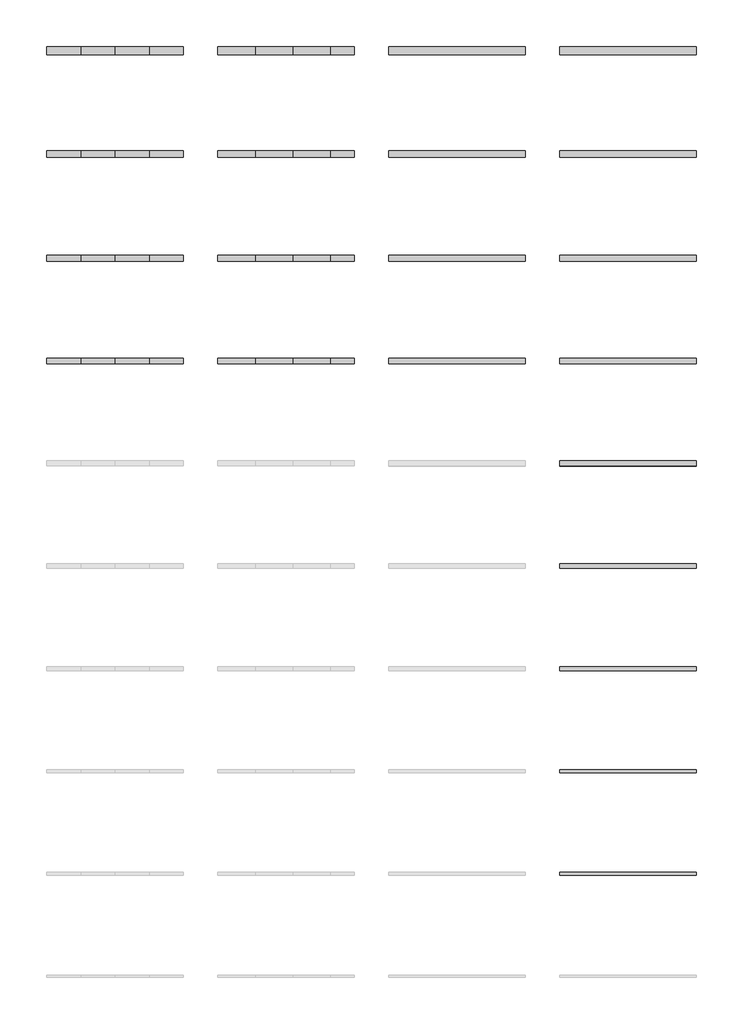
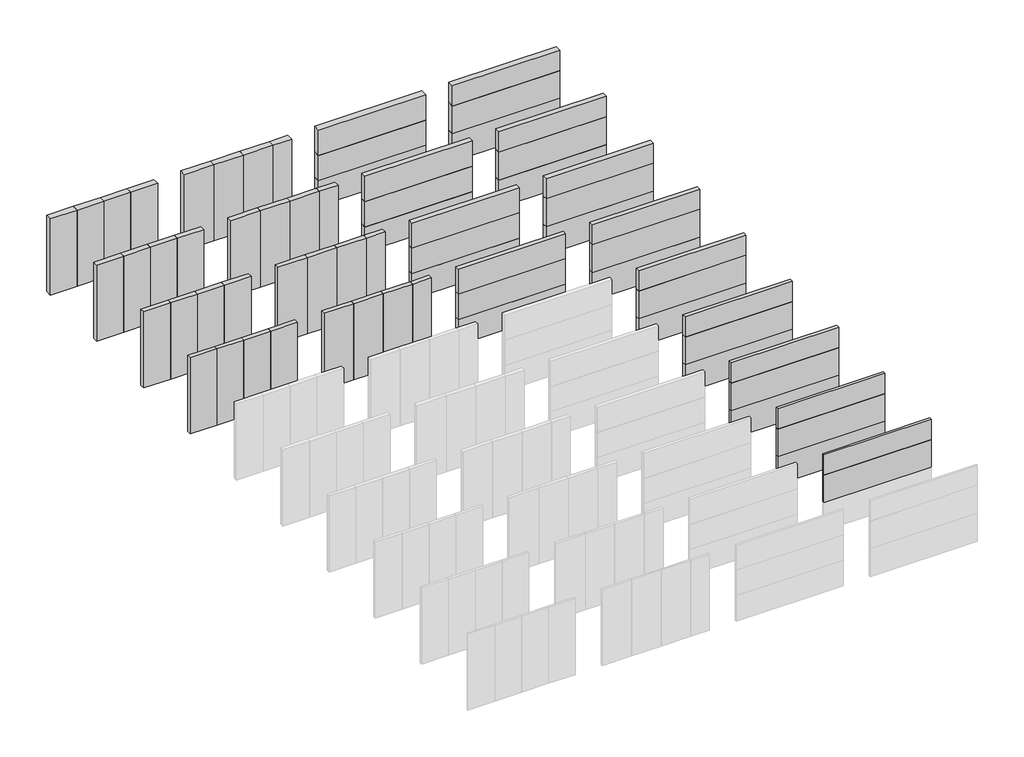
# Not in any storey, part 2 of 2: 70 plates.
"""IFC4 building model written with IfcOpenShell, lengths in millimetres."""

import ifcopenshell
import ifcopenshell.guid

model = None  # the IFC model being written
_history = None  # IfcOwnerHistory: only IFC2X3 demands one
_inside = {}  # id of a spatial element -> (the spatial element, [elements in it])
_under = {}  # id of a project, library or spatial element -> (it, [spatial elements below it])
_declared = {}  # id of a project -> (the project, [libraries it declares])
_typed = {}  # id of a type object -> (the type object, [elements of that type])
_made_of = {}  # id of a material, layer set ... -> (it, [elements and type objects made of it])


def new_model(schema):
    """Start an empty IFC model of exactly this schema.

    Asked for "IFC4X3", IfcOpenShell would pick the latest addendum, in which some entities
    have other attributes; the version numbers below select the first issue.
    IFC2X3 requires an IfcOwnerHistory on every rooted entity: one is made here for all.
    """
    global model, _history
    if schema == "IFC4X3":
        model = ifcopenshell.file(schema_version=(4, 3, 0, 0))
    else:
        model = ifcopenshell.file(schema=schema)
    _inside.clear()
    _under.clear()
    _declared.clear()
    _typed.clear()
    _made_of.clear()
    _history = None
    if model.schema == "IFC2X3":
        org = make("IfcOrganization", Name="unknown")
        user = make(
            "IfcPersonAndOrganization",
            ThePerson=make("IfcPerson", FamilyName="unknown"),
            TheOrganization=org,
        )
        app = make(
            "IfcApplication",
            ApplicationDeveloper=org,
            Version="unknown",
            ApplicationFullName="unknown",
            ApplicationIdentifier="unknown",
        )
        _history = make(
            "IfcOwnerHistory",
            OwningUser=user,
            OwningApplication=app,
            ChangeAction="ADDED",
            CreationDate=0,
        )
    return model


def make(cls, **values):
    """One entity of the class cls with the attributes given. An attribute that is None is left unset."""
    return model.create_entity(
        cls, **{name: value for name, value in values.items() if value is not None}
    )


def rooted(cls, **values):
    """An entity with a GlobalId (a new one), such as an element, a storey or a relation."""
    return make(cls, GlobalId=ifcopenshell.guid.new(), OwnerHistory=_history, **values)


def si_unit(unit_type, name, prefix=None):
    """IfcSIUnit, for example si_unit("LENGTHUNIT", "METRE", prefix="MILLI")."""
    return make("IfcSIUnit", UnitType=unit_type, Prefix=prefix, Name=name)


def assignment(units):
    """IfcUnitAssignment: the units of a project."""
    return None if units is None else make("IfcUnitAssignment", Units=units)


def point(xyz):
    """IfcCartesianPoint."""
    return None if xyz is None else make("IfcCartesianPoint", Coordinates=xyz)


def direction(xyz):
    """IfcDirection."""
    return None if xyz is None else make("IfcDirection", DirectionRatios=xyz)


def frame(location, z_axis=None, x_axis=None):
    """IfcAxis2Placement3D, a coordinate frame: its origin and axes. An axis left out is left unset."""
    return make(
        "IfcAxis2Placement3D",
        Location=point(location),
        Axis=direction(z_axis),
        RefDirection=direction(x_axis),
    )


def origin():
    """The frame at (0, 0, 0) with its axes left unset."""
    return frame((0.0, 0.0, 0.0))


def origin_with_axes():
    """The frame at (0, 0, 0) with the z axis (0, 0, 1) and the x axis (1, 0, 0) written out."""
    return frame((0.0, 0.0, 0.0), z_axis=(0.0, 0.0, 1.0), x_axis=(1.0, 0.0, 0.0))


def place(relative_to, where):
    """IfcLocalPlacement: puts the frame where relative to a parent placement (None: the world)."""
    return make(
        "IfcLocalPlacement", PlacementRelTo=relative_to, RelativePlacement=where
    )


def context(
    kind, dimensions, precision=None, world=None, true_north=None, identifier=None
):
    """IfcGeometricRepresentationContext, for example the 3D "Model" context."""
    return make(
        "IfcGeometricRepresentationContext",
        ContextIdentifier=identifier,
        ContextType=kind,
        CoordinateSpaceDimension=dimensions,
        Precision=precision,
        WorldCoordinateSystem=world,
        TrueNorth=true_north,
    )


def project(units=None, contexts=None):
    """IfcProject with its units and contexts."""
    return rooted(
        "IfcProject",
        Name="project",
        RepresentationContexts=contexts,
        UnitsInContext=assignment(units),
    )


def spatial(cls, under=None, at=None, **own):
    """A site, building, storey or space (cls), placed at a placement, below another one or the project."""
    s = rooted(cls, ObjectPlacement=at, **own)
    if under is not None:
        _under.setdefault(under.id(), (under, []))[1].append(s)
    return s


def polyline(points):
    """IfcPolyline through the points."""
    return make("IfcPolyline", Points=[point(p) for p in points])


def outline(outer, holes=None, kind="AREA"):
    """IfcArbitraryClosedProfileDef: a profile drawn as a closed curve; with holes, ...WithVoids."""
    if holes is None:
        return make("IfcArbitraryClosedProfileDef", ProfileType=kind, OuterCurve=outer)
    return make(
        "IfcArbitraryProfileDefWithVoids",
        ProfileType=kind,
        OuterCurve=outer,
        InnerCurves=holes,
    )


def extrude(swept, where, along, depth):
    """IfcExtrudedAreaSolid: the profile swept, set in the frame where, extruded along a direction by depth."""
    return make(
        "IfcExtrudedAreaSolid",
        SweptArea=swept,
        Position=where,
        ExtrudedDirection=direction(along),
        Depth=depth,
    )


def shape(context_of_items, identifier, shape_type, items):
    """IfcShapeRepresentation: the items that make up one representation, for example the "Body"."""
    return make(
        "IfcShapeRepresentation",
        ContextOfItems=context_of_items,
        RepresentationIdentifier=identifier,
        RepresentationType=shape_type,
        Items=items,
    )


def made_of(thing, what):
    """Note that an element or type object is made of a material, layer set ...; save() writes the relation."""
    if what is not None:
        _made_of.setdefault(what.id(), (what, []))[1].append(thing)
    return thing


def element(
    cls,
    number,
    at=None,
    inside=None,
    cuts=None,
    type_object=None,
    material=None,
    context=None,
    identifier="Body",
    shape_type=None,
    held_by="IfcProductDefinitionShape",
    body=None,
    shapes=None,
    **own,
):
    """One element of the class cls, such as IfcWall. Its Tag is "e" and its number.

    at: its placement. inside: the storey or other place that contains it. cuts: it is an
    opening in that element (IfcRelVoidsElement). A single representation is given by context,
    identifier, shape_type and body (its items); several are given by shapes. held_by: the class
    of the entity that holds the representations. save() writes the other relations.
    """
    e = rooted(cls, Tag="e%d" % number, ObjectPlacement=at, **own)
    if body is not None:
        shapes = [shape(context, identifier, shape_type, body)]
    if shapes is not None:
        e.Representation = make(held_by, Representations=shapes)
    if inside is not None:
        _inside.setdefault(inside.id(), (inside, []))[1].append(e)
    if cuts is not None:
        rooted(
            "IfcRelVoidsElement", RelatingBuildingElement=cuts, RelatedOpeningElement=e
        )
    if type_object is not None:
        _typed.setdefault(type_object.id(), (type_object, []))[1].append(e)
    return made_of(e, material)


def aggregate(whole, parts):
    """IfcRelAggregates: a whole, such as a stair, and the parts it consists of."""
    return rooted("IfcRelAggregates", RelatingObject=whole, RelatedObjects=parts)


def save(model, path):
    """Write the relations noted so far, then the file.

    IfcRelAggregates (storeys below a building ...), IfcRelContainedInSpatialStructure (elements
    in a storey), IfcRelDefinesByType, IfcRelAssociatesMaterial and IfcRelDeclares: one each for
    every whole, place, type object, material and project.
    """
    for whole, parts in _under.values():
        aggregate(whole, parts)
    for where, things in _inside.values():
        rooted(
            "IfcRelContainedInSpatialStructure",
            RelatedElements=things,
            RelatingStructure=where,
        )
    for kind, things in _typed.values():
        rooted("IfcRelDefinesByType", RelatedObjects=things, RelatingType=kind)
    for what, things in _made_of.values():
        rooted("IfcRelAssociatesMaterial", RelatedObjects=things, RelatingMaterial=what)
    for by, libraries in _declared.values():
        rooted("IfcRelDeclares", RelatingContext=by, RelatedDefinitions=libraries)
    model.write(path)


model = new_model("IFC4")

# Units and contexts
model_context = context("Model", 3, world=origin())
ifc_project = project(units=[si_unit("LENGTHUNIT", "METRE", prefix="MILLI")], contexts=[model_context])

# Site, building
site = spatial("IfcSite", under=ifc_project)
building = spatial("IfcBuilding", under=site)

# Plates
placement = place(None, origin())
element("IfcPlate", 1, at=placement, inside=building, context=model_context, shape_type="SweptSolid", body=[
    extrude(outline(polyline([(19000.0, 6000.0), (15000.0, 6000.0), (15000.0, 6100.0), (19000.0, 6100.0), (19000.0, 6000.0)])), origin_with_axes(), (0.0, 0.0, 1.0), 1100.0),
])
element("IfcPlate", 2, at=placement, inside=building, context=model_context, shape_type="SweptSolid", body=[
    extrude(outline(polyline([(19000.0, 6000.0), (15000.0, 6000.0), (15000.0, 6100.0), (19000.0, 6100.0), (19000.0, 6000.0)])), frame((0.0, 0.0, 1100.0), z_axis=(0.0, 0.0, 1.0), x_axis=(1.0, 0.0, 0.0)), (0.0, 0.0, 1.0), 1100.0),
])
element("IfcPlate", 3, at=placement, inside=building, context=model_context, shape_type="SweptSolid", body=[
    extrude(outline(polyline([(19000.0, 6000.0), (15000.0, 6000.0), (15000.0, 6100.0), (19000.0, 6100.0), (19000.0, 6000.0)])), frame((0.0, 0.0, 2200.0), z_axis=(0.0, 0.0, 1.0), x_axis=(1.0, 0.0, 0.0)), (0.0, 0.0, 1.0), 800.0),
])
element("IfcPlate", 4, at=placement, inside=building, context=model_context, shape_type="SweptSolid", body=[
    extrude(outline(polyline([(19000.0, 3010.0), (15000.0, 3010.0), (15000.0, 3090.0), (19000.0, 3090.0), (19000.0, 3010.0)])), frame((0.0, 0.0, 1100.0), z_axis=(0.0, 0.0, 1.0), x_axis=(1.0, 0.0, 0.0)), (0.0, 0.0, 1.0), 1100.0),
])
element("IfcPlate", 5, at=placement, inside=building, context=model_context, shape_type="SweptSolid", body=[
    extrude(outline(polyline([(19000.0, 3010.0), (15000.0, 3010.0), (15000.0, 3090.0), (19000.0, 3090.0), (19000.0, 3010.0)])), frame((0.0, 0.0, 2200.0), z_axis=(0.0, 0.0, 1.0), x_axis=(1.0, 0.0, 0.0)), (0.0, 0.0, 1.0), 800.0),
])
element("IfcPlate", 6, at=placement, inside=building, context=model_context, shape_type="SweptSolid", body=[
    extrude(outline(polyline([(19000.0, 8990.0), (15000.0, 8990.0), (15000.0, 9110.0), (19000.0, 9110.0), (19000.0, 8990.0)])), origin_with_axes(), (0.0, 0.0, 1.0), 1100.0),
])
element("IfcPlate", 7, at=placement, inside=building, context=model_context, shape_type="SweptSolid", body=[
    extrude(outline(polyline([(19000.0, 8990.0), (15000.0, 8990.0), (15000.0, 9110.0), (19000.0, 9110.0), (19000.0, 8990.0)])), frame((0.0, 0.0, 1100.0), z_axis=(0.0, 0.0, 1.0), x_axis=(1.0, 0.0, 0.0)), (0.0, 0.0, 1.0), 1100.0),
])
element("IfcPlate", 8, at=placement, inside=building, context=model_context, shape_type="SweptSolid", body=[
    extrude(outline(polyline([(19000.0, 8990.0), (15000.0, 8990.0), (15000.0, 9110.0), (19000.0, 9110.0), (19000.0, 8990.0)])), frame((0.0, 0.0, 2200.0), z_axis=(0.0, 0.0, 1.0), x_axis=(1.0, 0.0, 0.0)), (0.0, 0.0, 1.0), 800.0),
])
element("IfcPlate", 9, at=placement, inside=building, context=model_context, shape_type="SweptSolid", body=[
    extrude(outline(polyline([(19000.0, 11980.0), (15000.0, 11980.0), (15000.0, 12120.0), (19000.0, 12120.0), (19000.0, 11980.0)])), origin_with_axes(), (0.0, 0.0, 1.0), 1100.0),
])
element("IfcPlate", 10, at=placement, inside=building, context=model_context, shape_type="SweptSolid", body=[
    extrude(outline(polyline([(19000.0, 11980.0), (15000.0, 11980.0), (15000.0, 12120.0), (19000.0, 12120.0), (19000.0, 11980.0)])), frame((0.0, 0.0, 1100.0), z_axis=(0.0, 0.0, 1.0), x_axis=(1.0, 0.0, 0.0)), (0.0, 0.0, 1.0), 1100.0),
])
element("IfcPlate", 11, at=placement, inside=building, context=model_context, shape_type="SweptSolid", body=[
    extrude(outline(polyline([(19000.0, 11980.0), (15000.0, 11980.0), (15000.0, 12120.0), (19000.0, 12120.0), (19000.0, 11980.0)])), frame((0.0, 0.0, 2200.0), z_axis=(0.0, 0.0, 1.0), x_axis=(1.0, 0.0, 0.0)), (0.0, 0.0, 1.0), 800.0),
])
element("IfcPlate", 12, at=placement, inside=building, context=model_context, shape_type="SweptSolid", body=[
    extrude(outline(polyline([(19000.0, 14975.0), (15000.0, 14975.0), (15000.0, 15125.0), (19000.0, 15125.0), (19000.0, 14975.0)])), origin_with_axes(), (0.0, 0.0, 1.0), 1100.0),
])
element("IfcPlate", 13, at=placement, inside=building, context=model_context, shape_type="SweptSolid", body=[
    extrude(outline(polyline([(19000.0, 14975.0), (15000.0, 14975.0), (15000.0, 15125.0), (19000.0, 15125.0), (19000.0, 14975.0)])), frame((0.0, 0.0, 1100.0), z_axis=(0.0, 0.0, 1.0), x_axis=(1.0, 0.0, 0.0)), (0.0, 0.0, 1.0), 1100.0),
])
element("IfcPlate", 14, at=placement, inside=building, context=model_context, shape_type="SweptSolid", body=[
    extrude(outline(polyline([(19000.0, 14975.0), (15000.0, 14975.0), (15000.0, 15125.0), (19000.0, 15125.0), (19000.0, 14975.0)])), frame((0.0, 0.0, 2200.0), z_axis=(0.0, 0.0, 1.0), x_axis=(1.0, 0.0, 0.0)), (0.0, 0.0, 1.0), 800.0),
])
element("IfcPlate", 15, at=placement, inside=building, context=model_context, shape_type="SweptSolid", body=[
    extrude(outline(polyline([(1000.0000003, 17970.0), (0.0, 17970.0), (0.0, 18130.0), (1000.0000003, 18130.0), (1000.0000003, 17970.0)])), origin_with_axes(), (0.0, 0.0, 1.0), 3000.0),
])
element("IfcPlate", 16, at=placement, inside=building, context=model_context, shape_type="SweptSolid", body=[
    extrude(outline(polyline([(2000.0000003, 17970.0), (1000.0000003, 17970.0), (1000.0000003, 18130.0), (2000.0000003, 18130.0), (2000.0000003, 17970.0)])), origin_with_axes(), (0.0, 0.0, 1.0), 3000.0),
])
element("IfcPlate", 17, at=placement, inside=building, context=model_context, shape_type="SweptSolid", body=[
    extrude(outline(polyline([(3000.0000003, 17970.0), (2000.0000003, 17970.0), (2000.0000003, 18130.0), (3000.0000003, 18130.0), (3000.0000003, 17970.0)])), origin_with_axes(), (0.0, 0.0, 1.0), 3000.0),
])
element("IfcPlate", 18, at=placement, inside=building, context=model_context, shape_type="SweptSolid", body=[
    extrude(outline(polyline([(4000.0, 17970.0), (3000.0000003, 17970.0), (3000.0000003, 18130.0), (4000.0, 18130.0), (4000.0, 17970.0)])), origin_with_axes(), (0.0, 0.0, 1.0), 3000.0),
])
element("IfcPlate", 19, at=placement, inside=building, context=model_context, shape_type="SweptSolid", body=[
    extrude(outline(polyline([(6100.0000003, 17970.0), (5000.0, 17970.0), (5000.0, 18130.0), (6100.0000003, 18130.0), (6100.0000003, 17970.0)])), origin_with_axes(), (0.0, 0.0, 1.0), 3000.0),
])
element("IfcPlate", 20, at=placement, inside=building, context=model_context, shape_type="SweptSolid", body=[
    extrude(outline(polyline([(7200.0000003, 17970.0), (6100.0000003, 17970.0), (6100.0000003, 18130.0), (7200.0000003, 18130.0), (7200.0000003, 17970.0)])), origin_with_axes(), (0.0, 0.0, 1.0), 3000.0),
])
element("IfcPlate", 21, at=placement, inside=building, context=model_context, shape_type="SweptSolid", body=[
    extrude(outline(polyline([(8300.0000003, 17970.0), (7200.0000003, 17970.0), (7200.0000003, 18130.0), (8300.0000003, 18130.0), (8300.0000003, 17970.0)])), origin_with_axes(), (0.0, 0.0, 1.0), 3000.0),
])
element("IfcPlate", 22, at=placement, inside=building, context=model_context, shape_type="SweptSolid", body=[
    extrude(outline(polyline([(9000.0, 17970.0), (8300.0000003, 17970.0), (8300.0000003, 18130.0), (9000.0, 18130.0), (9000.0, 17970.0)])), origin_with_axes(), (0.0, 0.0, 1.0), 3000.0),
])
element("IfcPlate", 23, at=placement, inside=building, context=model_context, shape_type="SweptSolid", body=[
    extrude(outline(polyline([(14000.0, 17970.0), (10000.0, 17970.0), (10000.0, 18130.0), (14000.0, 18130.0), (14000.0, 17970.0)])), origin_with_axes(), (0.0, 0.0, 1.0), 1000.0),
])
element("IfcPlate", 24, at=placement, inside=building, context=model_context, shape_type="SweptSolid", body=[
    extrude(outline(polyline([(14000.0, 17970.0), (10000.0, 17970.0), (10000.0, 18130.0), (14000.0, 18130.0), (14000.0, 17970.0)])), frame((0.0, 0.0, 1000.0), z_axis=(0.0, 0.0, 1.0), x_axis=(1.0, 0.0, 0.0)), (0.0, 0.0, 1.0), 1000.0),
])
element("IfcPlate", 25, at=placement, inside=building, context=model_context, shape_type="SweptSolid", body=[
    extrude(outline(polyline([(14000.0, 17970.0), (10000.0, 17970.0), (10000.0, 18130.0), (14000.0, 18130.0), (14000.0, 17970.0)])), frame((0.0, 0.0, 2000.0), z_axis=(0.0, 0.0, 1.0), x_axis=(1.0, 0.0, 0.0)), (0.0, 0.0, 1.0), 1000.0),
])
element("IfcPlate", 26, at=placement, inside=building, context=model_context, shape_type="SweptSolid", body=[
    extrude(outline(polyline([(19000.0, 17970.0), (15000.0, 17970.0), (15000.0, 18130.0), (19000.0, 18130.0), (19000.0, 17970.0)])), origin_with_axes(), (0.0, 0.0, 1.0), 1100.0),
])
element("IfcPlate", 27, at=placement, inside=building, context=model_context, shape_type="SweptSolid", body=[
    extrude(outline(polyline([(19000.0, 17970.0), (15000.0, 17970.0), (15000.0, 18130.0), (19000.0, 18130.0), (19000.0, 17970.0)])), frame((0.0, 0.0, 1100.0), z_axis=(0.0, 0.0, 1.0), x_axis=(1.0, 0.0, 0.0)), (0.0, 0.0, 1.0), 1100.0),
])
element("IfcPlate", 28, at=placement, inside=building, context=model_context, shape_type="SweptSolid", body=[
    extrude(outline(polyline([(19000.0, 17970.0), (15000.0, 17970.0), (15000.0, 18130.0), (19000.0, 18130.0), (19000.0, 17970.0)])), frame((0.0, 0.0, 2200.0), z_axis=(0.0, 0.0, 1.0), x_axis=(1.0, 0.0, 0.0)), (0.0, 0.0, 1.0), 800.0),
])
element("IfcPlate", 29, at=placement, inside=building, context=model_context, shape_type="SweptSolid", body=[
    extrude(outline(polyline([(1000.0000003, 20960.0), (0.0, 20960.0), (0.0, 21140.0), (1000.0000003, 21140.0), (1000.0000003, 20960.0)])), origin_with_axes(), (0.0, 0.0, 1.0), 3000.0),
])
element("IfcPlate", 30, at=placement, inside=building, context=model_context, shape_type="SweptSolid", body=[
    extrude(outline(polyline([(2000.0000003, 20960.0), (1000.0000003, 20960.0), (1000.0000003, 21140.0), (2000.0000003, 21140.0), (2000.0000003, 20960.0)])), origin_with_axes(), (0.0, 0.0, 1.0), 3000.0),
])
element("IfcPlate", 31, at=placement, inside=building, context=model_context, shape_type="SweptSolid", body=[
    extrude(outline(polyline([(3000.0000003, 20960.0), (2000.0000003, 20960.0), (2000.0000003, 21140.0), (3000.0000003, 21140.0), (3000.0000003, 20960.0)])), origin_with_axes(), (0.0, 0.0, 1.0), 3000.0),
])
element("IfcPlate", 32, at=placement, inside=building, context=model_context, shape_type="SweptSolid", body=[
    extrude(outline(polyline([(4000.0, 20960.0), (3000.0000003, 20960.0), (3000.0000003, 21140.0), (4000.0, 21140.0), (4000.0, 20960.0)])), origin_with_axes(), (0.0, 0.0, 1.0), 3000.0),
])
element("IfcPlate", 33, at=placement, inside=building, context=model_context, shape_type="SweptSolid", body=[
    extrude(outline(polyline([(6100.0000003, 20960.0), (5000.0, 20960.0), (5000.0, 21140.0), (6100.0000003, 21140.0), (6100.0000003, 20960.0)])), origin_with_axes(), (0.0, 0.0, 1.0), 3000.0),
])
element("IfcPlate", 34, at=placement, inside=building, context=model_context, shape_type="SweptSolid", body=[
    extrude(outline(polyline([(7200.0000003, 20960.0), (6100.0000003, 20960.0), (6100.0000003, 21140.0), (7200.0000003, 21140.0), (7200.0000003, 20960.0)])), origin_with_axes(), (0.0, 0.0, 1.0), 3000.0),
])
element("IfcPlate", 35, at=placement, inside=building, context=model_context, shape_type="SweptSolid", body=[
    extrude(outline(polyline([(8300.0000003, 20960.0), (7200.0000003, 20960.0), (7200.0000003, 21140.0), (8300.0000003, 21140.0), (8300.0000003, 20960.0)])), origin_with_axes(), (0.0, 0.0, 1.0), 3000.0),
])
element("IfcPlate", 36, at=placement, inside=building, context=model_context, shape_type="SweptSolid", body=[
    extrude(outline(polyline([(9000.0, 20960.0), (8300.0000003, 20960.0), (8300.0000003, 21140.0), (9000.0, 21140.0), (9000.0, 20960.0)])), origin_with_axes(), (0.0, 0.0, 1.0), 3000.0),
])
element("IfcPlate", 37, at=placement, inside=building, context=model_context, shape_type="SweptSolid", body=[
    extrude(outline(polyline([(14000.0, 20960.0), (10000.0, 20960.0), (10000.0, 21140.0), (14000.0, 21140.0), (14000.0, 20960.0)])), origin_with_axes(), (0.0, 0.0, 1.0), 1000.0),
])
element("IfcPlate", 38, at=placement, inside=building, context=model_context, shape_type="SweptSolid", body=[
    extrude(outline(polyline([(14000.0, 20960.0), (10000.0, 20960.0), (10000.0, 21140.0), (14000.0, 21140.0), (14000.0, 20960.0)])), frame((0.0, 0.0, 1000.0), z_axis=(0.0, 0.0, 1.0), x_axis=(1.0, 0.0, 0.0)), (0.0, 0.0, 1.0), 1000.0),
])
element("IfcPlate", 39, at=placement, inside=building, context=model_context, shape_type="SweptSolid", body=[
    extrude(outline(polyline([(14000.0, 20960.0), (10000.0, 20960.0), (10000.0, 21140.0), (14000.0, 21140.0), (14000.0, 20960.0)])), frame((0.0, 0.0, 2000.0), z_axis=(0.0, 0.0, 1.0), x_axis=(1.0, 0.0, 0.0)), (0.0, 0.0, 1.0), 1000.0),
])
element("IfcPlate", 40, at=placement, inside=building, context=model_context, shape_type="SweptSolid", body=[
    extrude(outline(polyline([(19000.0, 20960.0), (15000.0, 20960.0), (15000.0, 21140.0), (19000.0, 21140.0), (19000.0, 20960.0)])), origin_with_axes(), (0.0, 0.0, 1.0), 1100.0),
])
element("IfcPlate", 41, at=placement, inside=building, context=model_context, shape_type="SweptSolid", body=[
    extrude(outline(polyline([(19000.0, 20960.0), (15000.0, 20960.0), (15000.0, 21140.0), (19000.0, 21140.0), (19000.0, 20960.0)])), frame((0.0, 0.0, 1100.0), z_axis=(0.0, 0.0, 1.0), x_axis=(1.0, 0.0, 0.0)), (0.0, 0.0, 1.0), 1100.0),
])
element("IfcPlate", 42, at=placement, inside=building, context=model_context, shape_type="SweptSolid", body=[
    extrude(outline(polyline([(19000.0, 20960.0), (15000.0, 20960.0), (15000.0, 21140.0), (19000.0, 21140.0), (19000.0, 20960.0)])), frame((0.0, 0.0, 2200.0), z_axis=(0.0, 0.0, 1.0), x_axis=(1.0, 0.0, 0.0)), (0.0, 0.0, 1.0), 800.0),
])
element("IfcPlate", 43, at=placement, inside=building, context=model_context, shape_type="SweptSolid", body=[
    extrude(outline(polyline([(1000.0000003, 24000.0), (0.0, 24000.0), (0.0, 24200.0), (1000.0000003, 24200.0), (1000.0000003, 24000.0)])), origin_with_axes(), (0.0, 0.0, 1.0), 3000.0),
])
element("IfcPlate", 44, at=placement, inside=building, context=model_context, shape_type="SweptSolid", body=[
    extrude(outline(polyline([(2000.0000003, 24000.0), (1000.0000003, 24000.0), (1000.0000003, 24200.0), (2000.0000003, 24200.0), (2000.0000003, 24000.0)])), origin_with_axes(), (0.0, 0.0, 1.0), 3000.0),
])
element("IfcPlate", 45, at=placement, inside=building, context=model_context, shape_type="SweptSolid", body=[
    extrude(outline(polyline([(3000.0000003, 24000.0), (2000.0000003, 24000.0), (2000.0000003, 24200.0), (3000.0000003, 24200.0), (3000.0000003, 24000.0)])), origin_with_axes(), (0.0, 0.0, 1.0), 3000.0),
])
element("IfcPlate", 46, at=placement, inside=building, context=model_context, shape_type="SweptSolid", body=[
    extrude(outline(polyline([(4000.0, 24000.0), (3000.0000003, 24000.0), (3000.0000003, 24200.0), (4000.0, 24200.0), (4000.0, 24000.0)])), origin_with_axes(), (0.0, 0.0, 1.0), 3000.0),
])
element("IfcPlate", 47, at=placement, inside=building, context=model_context, shape_type="SweptSolid", body=[
    extrude(outline(polyline([(6100.0000003, 24000.0), (5000.0, 24000.0), (5000.0, 24200.0), (6100.0000003, 24200.0), (6100.0000003, 24000.0)])), origin_with_axes(), (0.0, 0.0, 1.0), 3000.0),
])
element("IfcPlate", 48, at=placement, inside=building, context=model_context, shape_type="SweptSolid", body=[
    extrude(outline(polyline([(7200.0000003, 24000.0), (6100.0000003, 24000.0), (6100.0000003, 24200.0), (7200.0000003, 24200.0), (7200.0000003, 24000.0)])), origin_with_axes(), (0.0, 0.0, 1.0), 3000.0),
])
element("IfcPlate", 49, at=placement, inside=building, context=model_context, shape_type="SweptSolid", body=[
    extrude(outline(polyline([(8300.0000003, 24000.0), (7200.0000003, 24000.0), (7200.0000003, 24200.0), (8300.0000003, 24200.0), (8300.0000003, 24000.0)])), origin_with_axes(), (0.0, 0.0, 1.0), 3000.0),
])
element("IfcPlate", 50, at=placement, inside=building, context=model_context, shape_type="SweptSolid", body=[
    extrude(outline(polyline([(9000.0, 24000.0), (8300.0000003, 24000.0), (8300.0000003, 24200.0), (9000.0, 24200.0), (9000.0, 24000.0)])), origin_with_axes(), (0.0, 0.0, 1.0), 3000.0),
])
element("IfcPlate", 51, at=placement, inside=building, context=model_context, shape_type="SweptSolid", body=[
    extrude(outline(polyline([(14000.0, 24000.0), (10000.0, 24000.0), (10000.0, 24200.0), (14000.0, 24200.0), (14000.0, 24000.0)])), origin_with_axes(), (0.0, 0.0, 1.0), 1000.0),
])
element("IfcPlate", 52, at=placement, inside=building, context=model_context, shape_type="SweptSolid", body=[
    extrude(outline(polyline([(14000.0, 24000.0), (10000.0, 24000.0), (10000.0, 24200.0), (14000.0, 24200.0), (14000.0, 24000.0)])), frame((0.0, 0.0, 1000.0), z_axis=(0.0, 0.0, 1.0), x_axis=(1.0, 0.0, 0.0)), (0.0, 0.0, 1.0), 1000.0),
])
element("IfcPlate", 53, at=placement, inside=building, context=model_context, shape_type="SweptSolid", body=[
    extrude(outline(polyline([(14000.0, 24000.0), (10000.0, 24000.0), (10000.0, 24200.0), (14000.0, 24200.0), (14000.0, 24000.0)])), frame((0.0, 0.0, 2000.0), z_axis=(0.0, 0.0, 1.0), x_axis=(1.0, 0.0, 0.0)), (0.0, 0.0, 1.0), 1000.0),
])
element("IfcPlate", 54, at=placement, inside=building, context=model_context, shape_type="SweptSolid", body=[
    extrude(outline(polyline([(19000.0, 24000.0), (15000.0, 24000.0), (15000.0, 24200.0), (19000.0, 24200.0), (19000.0, 24000.0)])), origin_with_axes(), (0.0, 0.0, 1.0), 1100.0),
])
element("IfcPlate", 55, at=placement, inside=building, context=model_context, shape_type="SweptSolid", body=[
    extrude(outline(polyline([(19000.0, 24000.0), (15000.0, 24000.0), (15000.0, 24200.0), (19000.0, 24200.0), (19000.0, 24000.0)])), frame((0.0, 0.0, 1100.0), z_axis=(0.0, 0.0, 1.0), x_axis=(1.0, 0.0, 0.0)), (0.0, 0.0, 1.0), 1100.0),
])
element("IfcPlate", 56, at=placement, inside=building, context=model_context, shape_type="SweptSolid", body=[
    extrude(outline(polyline([(19000.0, 24000.0), (15000.0, 24000.0), (15000.0, 24200.0), (19000.0, 24200.0), (19000.0, 24000.0)])), frame((0.0, 0.0, 2200.0), z_axis=(0.0, 0.0, 1.0), x_axis=(1.0, 0.0, 0.0)), (0.0, 0.0, 1.0), 800.0),
])
element("IfcPlate", 57, at=placement, inside=building, context=model_context, shape_type="SweptSolid", body=[
    extrude(outline(polyline([(1000.0000003, 27000.0), (0.0, 27000.0), (0.0, 27240.0), (1000.0000003, 27240.0), (1000.0000003, 27000.0)])), origin_with_axes(), (0.0, 0.0, 1.0), 3000.0),
])
element("IfcPlate", 58, at=placement, inside=building, context=model_context, shape_type="SweptSolid", body=[
    extrude(outline(polyline([(2000.0000003, 27000.0), (1000.0000003, 27000.0), (1000.0000003, 27240.0), (2000.0000003, 27240.0), (2000.0000003, 27000.0)])), origin_with_axes(), (0.0, 0.0, 1.0), 3000.0),
])
element("IfcPlate", 59, at=placement, inside=building, context=model_context, shape_type="SweptSolid", body=[
    extrude(outline(polyline([(3000.0000003, 27000.0), (2000.0000003, 27000.0), (2000.0000003, 27240.0), (3000.0000003, 27240.0), (3000.0000003, 27000.0)])), origin_with_axes(), (0.0, 0.0, 1.0), 3000.0),
])
element("IfcPlate", 60, at=placement, inside=building, context=model_context, shape_type="SweptSolid", body=[
    extrude(outline(polyline([(4000.0, 27000.0), (3000.0000003, 27000.0), (3000.0000003, 27240.0), (4000.0, 27240.0), (4000.0, 27000.0)])), origin_with_axes(), (0.0, 0.0, 1.0), 3000.0),
])
element("IfcPlate", 61, at=placement, inside=building, context=model_context, shape_type="SweptSolid", body=[
    extrude(outline(polyline([(6100.0000003, 27000.0), (5000.0, 27000.0), (5000.0, 27240.0), (6100.0000003, 27240.0), (6100.0000003, 27000.0)])), origin_with_axes(), (0.0, 0.0, 1.0), 3000.0),
])
element("IfcPlate", 62, at=placement, inside=building, context=model_context, shape_type="SweptSolid", body=[
    extrude(outline(polyline([(7200.0000003, 27000.0), (6100.0000003, 27000.0), (6100.0000003, 27240.0), (7200.0000003, 27240.0), (7200.0000003, 27000.0)])), origin_with_axes(), (0.0, 0.0, 1.0), 3000.0),
])
element("IfcPlate", 63, at=placement, inside=building, context=model_context, shape_type="SweptSolid", body=[
    extrude(outline(polyline([(8300.0000003, 27000.0), (7200.0000003, 27000.0), (7200.0000003, 27240.0), (8300.0000003, 27240.0), (8300.0000003, 27000.0)])), origin_with_axes(), (0.0, 0.0, 1.0), 3000.0),
])
element("IfcPlate", 64, at=placement, inside=building, context=model_context, shape_type="SweptSolid", body=[
    extrude(outline(polyline([(9000.0, 27000.0), (8300.0000003, 27000.0), (8300.0000003, 27240.0), (9000.0, 27240.0), (9000.0, 27000.0)])), origin_with_axes(), (0.0, 0.0, 1.0), 3000.0),
])
element("IfcPlate", 65, at=placement, inside=building, context=model_context, shape_type="SweptSolid", body=[
    extrude(outline(polyline([(14000.0, 27000.0), (10000.0, 27000.0), (10000.0, 27240.0), (14000.0, 27240.0), (14000.0, 27000.0)])), origin_with_axes(), (0.0, 0.0, 1.0), 1000.0),
])
element("IfcPlate", 66, at=placement, inside=building, context=model_context, shape_type="SweptSolid", body=[
    extrude(outline(polyline([(14000.0, 27000.0), (10000.0, 27000.0), (10000.0, 27240.0), (14000.0, 27240.0), (14000.0, 27000.0)])), frame((0.0, 0.0, 1000.0), z_axis=(0.0, 0.0, 1.0), x_axis=(1.0, 0.0, 0.0)), (0.0, 0.0, 1.0), 1000.0),
])
element("IfcPlate", 67, at=placement, inside=building, context=model_context, shape_type="SweptSolid", body=[
    extrude(outline(polyline([(14000.0, 27000.0), (10000.0, 27000.0), (10000.0, 27240.0), (14000.0, 27240.0), (14000.0, 27000.0)])), frame((0.0, 0.0, 2000.0), z_axis=(0.0, 0.0, 1.0), x_axis=(1.0, 0.0, 0.0)), (0.0, 0.0, 1.0), 1000.0),
])
element("IfcPlate", 68, at=placement, inside=building, context=model_context, shape_type="SweptSolid", body=[
    extrude(outline(polyline([(19000.0, 27000.0), (15000.0, 27000.0), (15000.0, 27240.0), (19000.0, 27240.0), (19000.0, 27000.0)])), origin_with_axes(), (0.0, 0.0, 1.0), 1100.0),
])
element("IfcPlate", 69, at=placement, inside=building, context=model_context, shape_type="SweptSolid", body=[
    extrude(outline(polyline([(19000.0, 27000.0), (15000.0, 27000.0), (15000.0, 27240.0), (19000.0, 27240.0), (19000.0, 27000.0)])), frame((0.0, 0.0, 1100.0), z_axis=(0.0, 0.0, 1.0), x_axis=(1.0, 0.0, 0.0)), (0.0, 0.0, 1.0), 1100.0),
])
element("IfcPlate", 70, at=placement, inside=building, context=model_context, shape_type="SweptSolid", body=[
    extrude(outline(polyline([(19000.0, 27000.0), (15000.0, 27000.0), (15000.0, 27240.0), (19000.0, 27240.0), (19000.0, 27000.0)])), frame((0.0, 0.0, 2200.0), z_axis=(0.0, 0.0, 1.0), x_axis=(1.0, 0.0, 0.0)), (0.0, 0.0, 1.0), 800.0),
])

save(model, "model.ifc")
